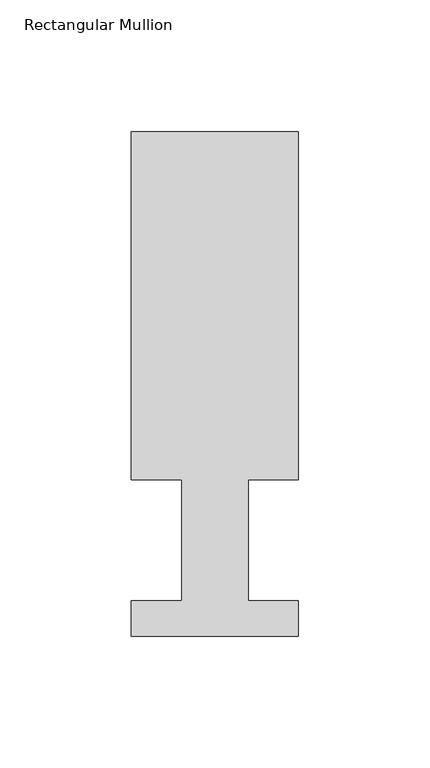
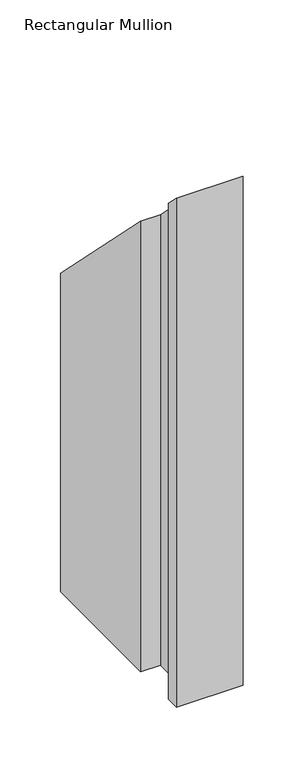
"""IFC4 building model written with IfcOpenShell, lengths in millimetres: member geometry, Rectangular Mullion."""

from ifc_helpers import new_model, si_unit, origin, place, context, project, spatial, faceted_brep, source, transform, mapped, element, save


def rectangular_mullion_2312df05(model_context):
    return source(origin(), model_context, "Body", "Brep", [
        faceted_brep([(-63.5, 192.09385, -513.2916667), (0.0, 192.09385, -513.2916667), (0.0, 59.53125, -513.2916667), (-19.0373, 59.53125, -513.2916667), (-19.0373, 13.50645, -513.2916667), (0.0, 13.50645, -513.2916667), (0.0, 0.04445, -513.2916667), (-63.5, 0.04445, -513.2916667), (-63.5, 13.50645, -513.2916667), (-44.45, 13.50645, -513.2916667), (-44.45, 59.53125, -513.2916667), (-63.5, 59.53125, -513.2916667), (-63.5, 59.53125, -59.53125), (-63.5, 192.09385, -192.09385), (-44.45, 59.53125, -59.53125), (-44.45, 13.50645, -13.50645), (-63.5, 13.50645, -13.50645), (-63.5, 0.04445, -0.04445), (0.0, 0.04445, -0.04445), (0.0, 13.50645, -13.50645), (-19.0373, 13.50645, -13.50645), (-19.0373, 59.53125, -59.53125), (0.0, 59.53125, -59.53125), (0.0, 192.09385, -192.09385)], [[[0, 1, 2, 3, 4, 5, 6, 7, 8, 9, 10, 11]], [[12, 13, 0, 11]], [[14, 12, 11, 10]], [[15, 14, 10, 9]], [[16, 15, 9, 8]], [[17, 16, 8, 7]], [[18, 17, 7, 6]], [[19, 18, 6, 5]], [[20, 19, 5, 4]], [[21, 20, 4, 3]], [[22, 21, 3, 2]], [[23, 22, 2, 1]], [[13, 23, 1, 0]], [[13, 12, 14, 15, 16, 17, 18, 19, 20, 21, 22, 23]]]),
    ])


if __name__ == "__main__":
    model = new_model("IFC4")
    model_context = context("Model", 3, world=origin())
    ifc_project = project(units=[si_unit("LENGTHUNIT", "METRE", prefix="MILLI")], contexts=[model_context])
    site = spatial("IfcSite", under=ifc_project)
    building = spatial("IfcBuilding", under=site)
    placement = place(None, origin())
    rectangular_mullion_shape = rectangular_mullion_2312df05(model_context)
    element("IfcMember", 1, ObjectType="Rectangular Mullion", at=placement, inside=building, context=model_context, shape_type="MappedRepresentation", body=[
        mapped(rectangular_mullion_shape, transform((0.0, 0.0, 0.0), x_axis=(1.0, 0.0, 0.0), y_axis=(0.0, 1.0, 0.0), z_axis=(0.0, 0.0, 1.0))),
    ])
    save(model, "model.ifc")
